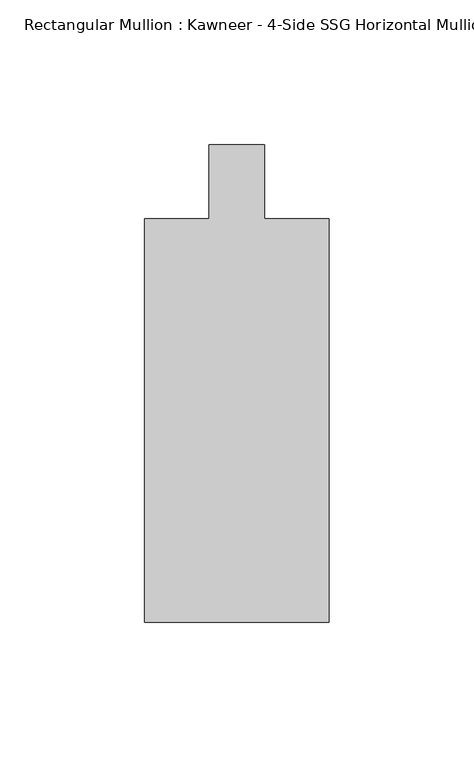
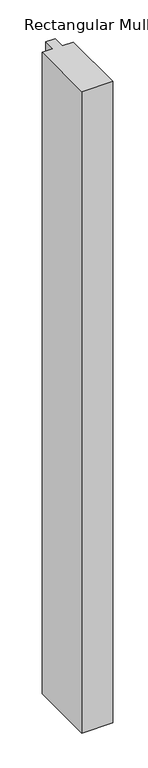
"""IFC4 building model written with IfcOpenShell, lengths in millimetres: member geometry."""

from ifc_helpers import new_model, si_unit, frame, origin, place, context, project, spatial, polyline, outline, extrude, source, transform, mapped, element, save


def member_0763c4ae(model_context):
    return source(origin(), model_context, "Body", "SweptSolid", [
        extrude(outline(polyline([(-31.75, -151.892), (-31.75, -12.7), (-9.5251132, -12.7), (-9.5251132, 12.7), (9.5251132, 12.7), (9.5251132, -12.7), (31.75, -12.7), (31.75, -151.892), (-31.75, -151.892)])), frame((0.0, 0.0, -1383.1651679), z_axis=(0.0, 0.0, 1.0), x_axis=(1.0, 0.0, 0.0)), (0.0, 0.0, 1.0), 1383.1651679),
    ])


if __name__ == "__main__":
    model = new_model("IFC4")
    model_context = context("Model", 3, world=origin())
    ifc_project = project(units=[si_unit("LENGTHUNIT", "METRE", prefix="MILLI")], contexts=[model_context])
    site = spatial("IfcSite", under=ifc_project)
    building = spatial("IfcBuilding", under=site)
    placement = place(None, origin())
    member_shape = member_0763c4ae(model_context)
    element("IfcMember", 1, ObjectType="Rectangular Mullion : Kawneer - 4-Side SSG Horizontal Mullion - 6 1/2\"", at=placement, inside=building, context=model_context, shape_type="MappedRepresentation", body=[
        mapped(member_shape, transform((0.0, 0.0, 0.0), x_axis=(1.0, 0.0, 0.0), y_axis=(0.0, 1.0, 0.0), z_axis=(0.0, 0.0, 1.0))),
    ])
    save(model, "model.ifc")
